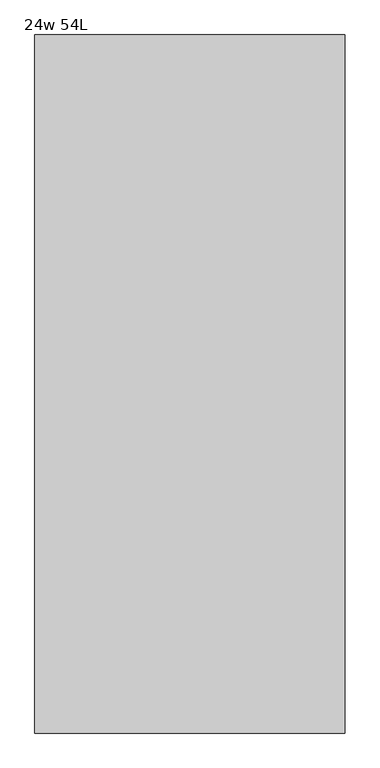
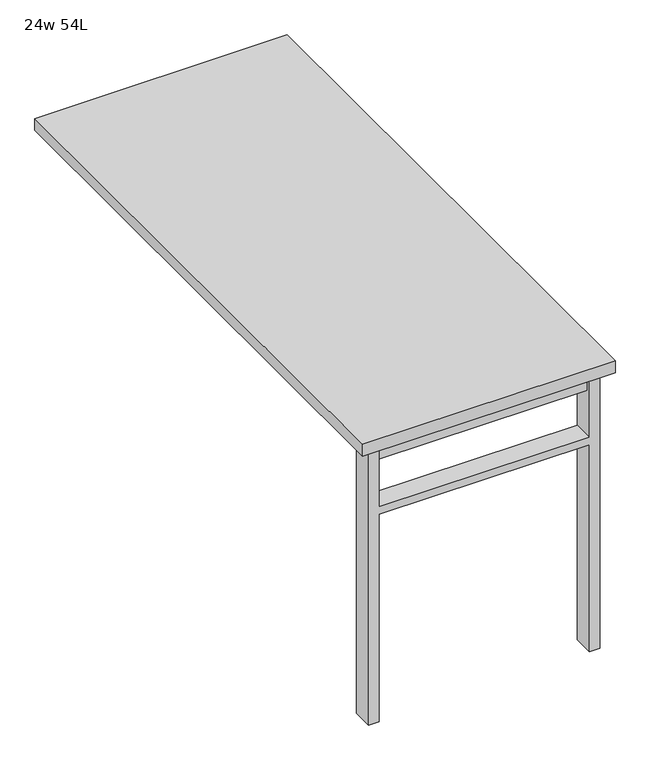
"""IFC4 building model written with IfcOpenShell, lengths in millimetres: furniture geometry, 24w 54L."""

from ifc_helpers import new_model, si_unit, frame, origin, place, context, project, spatial, polyline, outline, extrude, source, transform, mapped, element, save


def furniture_24w_54l_5379677e(model_context):
    return source(origin(), model_context, "Body", "SweptSolid", [
        extrude(outline(polyline([(-254.0, -625.475), (254.0, -625.475), (254.0, -657.225), (-254.0, -657.225), (-254.0, -625.475)])), frame((0.0, 0.0, 661.9875), z_axis=(0.0, 0.0, 1.0), x_axis=(1.0, 0.0, 0.0)), (0.0, 0.0, 1.0), 44.45),
        extrude(outline(polyline([(528.6375, 254.0), (0.0, 254.0), (0.0, 279.4), (706.4375, 279.4), (706.4375, 254.0), (547.6875, 254.0), (547.6875, -254.0), (706.4375, -254.0), (706.4375, -279.4), (0.0, -279.4), (0.0, -254.0), (528.6375, -254.0), (528.6375, 254.0)])), frame((0.0, -666.75, 0.0), z_axis=(0.0, 1.0, 0.0), x_axis=(0.0, 0.0, 1.0)), (0.0, 0.0, 1.0), 50.8),
        extrude(outline(polyline([(-304.8, -685.8), (-304.8, 685.8), (304.8, 685.8), (304.8, -685.8), (-304.8, -685.8)])), frame((0.0, 0.0, 706.4375), z_axis=(0.0, 0.0, 1.0), x_axis=(1.0, 0.0, 0.0)), (0.0, 0.0, 1.0), 30.1625),
    ])


if __name__ == "__main__":
    model = new_model("IFC4")
    model_context = context("Model", 3, world=origin())
    ifc_project = project(units=[si_unit("LENGTHUNIT", "METRE", prefix="MILLI")], contexts=[model_context])
    site = spatial("IfcSite", under=ifc_project)
    building = spatial("IfcBuilding", under=site)
    placement = place(None, origin())
    furniture_24w_54l_shape = furniture_24w_54l_5379677e(model_context)
    element("IfcFurniture", 1, ObjectType="24w 54L", at=placement, inside=building, context=model_context, shape_type="MappedRepresentation", body=[
        mapped(furniture_24w_54l_shape, transform((0.0, 0.0, 0.0), x_axis=(1.0, 0.0, 0.0), y_axis=(0.0, 1.0, 0.0), z_axis=(0.0, 0.0, 1.0))),
    ])
    save(model, "model.ifc")
